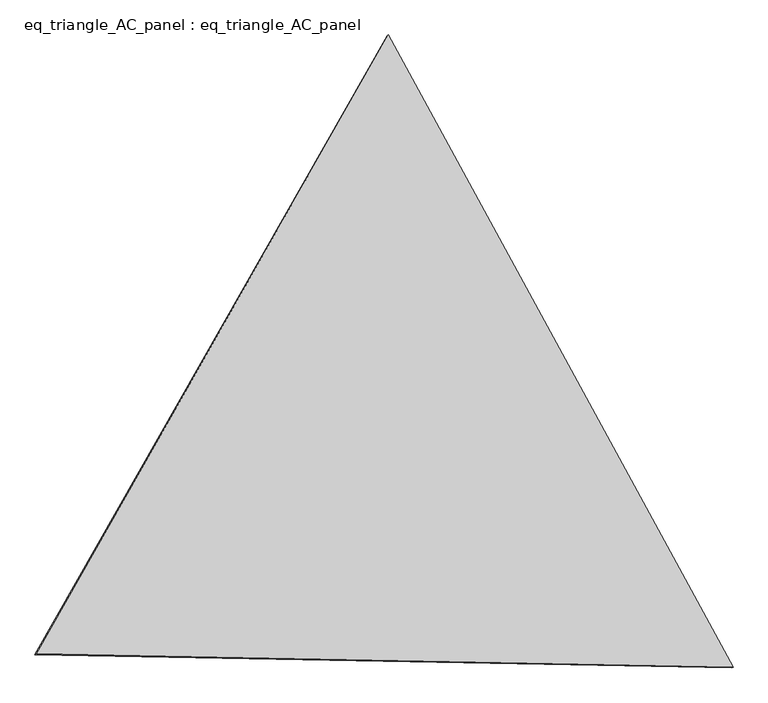
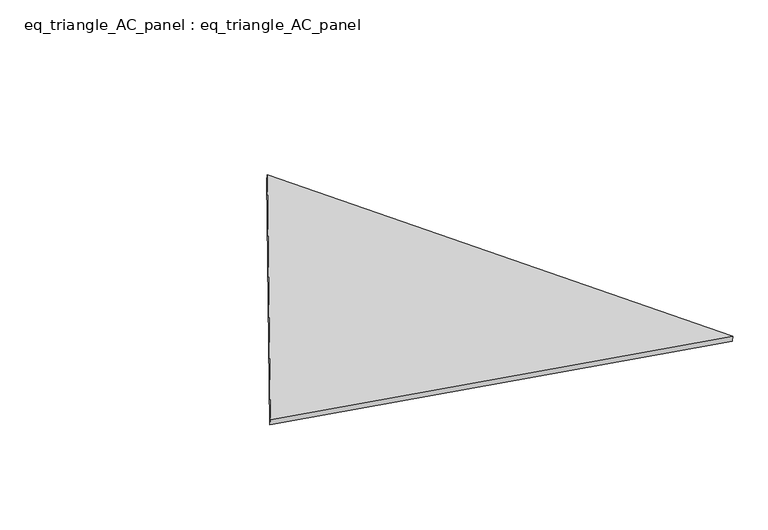
"""IFC4 building model written with IfcOpenShell, lengths in millimetres: proxy geometry, eq_triangle_AC_panel : eq_triangle_AC_panel."""

import ifcopenshell
import ifcopenshell.guid

model = None  # the IFC model being written
_history = None  # IfcOwnerHistory: only IFC2X3 demands one
_inside = {}  # id of a spatial element -> (the spatial element, [elements in it])
_under = {}  # id of a project, library or spatial element -> (it, [spatial elements below it])
_declared = {}  # id of a project -> (the project, [libraries it declares])
_typed = {}  # id of a type object -> (the type object, [elements of that type])
_made_of = {}  # id of a material, layer set ... -> (it, [elements and type objects made of it])


def new_model(schema):
    """Start an empty IFC model of exactly this schema.

    Asked for "IFC4X3", IfcOpenShell would pick the latest addendum, in which some entities
    have other attributes; the version numbers below select the first issue.
    IFC2X3 requires an IfcOwnerHistory on every rooted entity: one is made here for all.
    """
    global model, _history
    if schema == "IFC4X3":
        model = ifcopenshell.file(schema_version=(4, 3, 0, 0))
    else:
        model = ifcopenshell.file(schema=schema)
    _inside.clear()
    _under.clear()
    _declared.clear()
    _typed.clear()
    _made_of.clear()
    _history = None
    if model.schema == "IFC2X3":
        org = make("IfcOrganization", Name="unknown")
        user = make(
            "IfcPersonAndOrganization",
            ThePerson=make("IfcPerson", FamilyName="unknown"),
            TheOrganization=org,
        )
        app = make(
            "IfcApplication",
            ApplicationDeveloper=org,
            Version="unknown",
            ApplicationFullName="unknown",
            ApplicationIdentifier="unknown",
        )
        _history = make(
            "IfcOwnerHistory",
            OwningUser=user,
            OwningApplication=app,
            ChangeAction="ADDED",
            CreationDate=0,
        )
    return model


def make(cls, **values):
    """One entity of the class cls with the attributes given. An attribute that is None is left unset."""
    return model.create_entity(
        cls, **{name: value for name, value in values.items() if value is not None}
    )


def rooted(cls, **values):
    """An entity with a GlobalId (a new one), such as an element, a storey or a relation."""
    return make(cls, GlobalId=ifcopenshell.guid.new(), OwnerHistory=_history, **values)


def si_unit(unit_type, name, prefix=None):
    """IfcSIUnit, for example si_unit("LENGTHUNIT", "METRE", prefix="MILLI")."""
    return make("IfcSIUnit", UnitType=unit_type, Prefix=prefix, Name=name)


def assignment(units):
    """IfcUnitAssignment: the units of a project."""
    return None if units is None else make("IfcUnitAssignment", Units=units)


def point(xyz):
    """IfcCartesianPoint."""
    return None if xyz is None else make("IfcCartesianPoint", Coordinates=xyz)


def direction(xyz):
    """IfcDirection."""
    return None if xyz is None else make("IfcDirection", DirectionRatios=xyz)


def frame(location, z_axis=None, x_axis=None):
    """IfcAxis2Placement3D, a coordinate frame: its origin and axes. An axis left out is left unset."""
    return make(
        "IfcAxis2Placement3D",
        Location=point(location),
        Axis=direction(z_axis),
        RefDirection=direction(x_axis),
    )


def origin():
    """The frame at (0, 0, 0) with its axes left unset."""
    return frame((0.0, 0.0, 0.0))


def place(relative_to, where):
    """IfcLocalPlacement: puts the frame where relative to a parent placement (None: the world)."""
    return make(
        "IfcLocalPlacement", PlacementRelTo=relative_to, RelativePlacement=where
    )


def context(
    kind, dimensions, precision=None, world=None, true_north=None, identifier=None
):
    """IfcGeometricRepresentationContext, for example the 3D "Model" context."""
    return make(
        "IfcGeometricRepresentationContext",
        ContextIdentifier=identifier,
        ContextType=kind,
        CoordinateSpaceDimension=dimensions,
        Precision=precision,
        WorldCoordinateSystem=world,
        TrueNorth=true_north,
    )


def project(units=None, contexts=None):
    """IfcProject with its units and contexts."""
    return rooted(
        "IfcProject",
        Name="project",
        RepresentationContexts=contexts,
        UnitsInContext=assignment(units),
    )


def spatial(cls, under=None, at=None, **own):
    """A site, building, storey or space (cls), placed at a placement, below another one or the project."""
    s = rooted(cls, ObjectPlacement=at, **own)
    if under is not None:
        _under.setdefault(under.id(), (under, []))[1].append(s)
    return s


def polyline(points):
    """IfcPolyline through the points."""
    return make("IfcPolyline", Points=[point(p) for p in points])


def outline(outer, holes=None, kind="AREA"):
    """IfcArbitraryClosedProfileDef: a profile drawn as a closed curve; with holes, ...WithVoids."""
    if holes is None:
        return make("IfcArbitraryClosedProfileDef", ProfileType=kind, OuterCurve=outer)
    return make(
        "IfcArbitraryProfileDefWithVoids",
        ProfileType=kind,
        OuterCurve=outer,
        InnerCurves=holes,
    )


def extrude(swept, where, along, depth):
    """IfcExtrudedAreaSolid: the profile swept, set in the frame where, extruded along a direction by depth."""
    return make(
        "IfcExtrudedAreaSolid",
        SweptArea=swept,
        Position=where,
        ExtrudedDirection=direction(along),
        Depth=depth,
    )


def shape(context_of_items, identifier, shape_type, items):
    """IfcShapeRepresentation: the items that make up one representation, for example the "Body"."""
    return make(
        "IfcShapeRepresentation",
        ContextOfItems=context_of_items,
        RepresentationIdentifier=identifier,
        RepresentationType=shape_type,
        Items=items,
    )


def source(mapping_origin, context_of_items, identifier, shape_type, items):
    """IfcRepresentationMap: a shape defined once, which mapped items show again and again."""
    return make(
        "IfcRepresentationMap",
        MappingOrigin=mapping_origin,
        MappedRepresentation=shape(context_of_items, identifier, shape_type, items),
    )


def transform(
    local_origin,
    x_axis=None,
    y_axis=None,
    z_axis=None,
    scale=None,
    scale2=None,
    scale3=None,
    uniform=True,
):
    """IfcCartesianTransformationOperator3D, or its non-uniform kind. x_axis, y_axis, z_axis: its Axis1, 2, 3."""
    if uniform:
        return make(
            "IfcCartesianTransformationOperator3D",
            Axis1=direction(x_axis),
            Axis2=direction(y_axis),
            LocalOrigin=point(local_origin),
            Scale=scale,
            Axis3=direction(z_axis),
        )
    return make(
        "IfcCartesianTransformationOperator3DnonUniform",
        Axis1=direction(x_axis),
        Axis2=direction(y_axis),
        LocalOrigin=point(local_origin),
        Scale=scale,
        Axis3=direction(z_axis),
        Scale2=scale2,
        Scale3=scale3,
    )


def mapped(mapping_source, mapping_target):
    """IfcMappedItem: shows the shape of a source again, moved by a transform."""
    return make(
        "IfcMappedItem", MappingSource=mapping_source, MappingTarget=mapping_target
    )


def made_of(thing, what):
    """Note that an element or type object is made of a material, layer set ...; save() writes the relation."""
    if what is not None:
        _made_of.setdefault(what.id(), (what, []))[1].append(thing)
    return thing


def element(
    cls,
    number,
    at=None,
    inside=None,
    cuts=None,
    type_object=None,
    material=None,
    context=None,
    identifier="Body",
    shape_type=None,
    held_by="IfcProductDefinitionShape",
    body=None,
    shapes=None,
    **own,
):
    """One element of the class cls, such as IfcWall. Its Tag is "e" and its number.

    at: its placement. inside: the storey or other place that contains it. cuts: it is an
    opening in that element (IfcRelVoidsElement). A single representation is given by context,
    identifier, shape_type and body (its items); several are given by shapes. held_by: the class
    of the entity that holds the representations. save() writes the other relations.
    """
    e = rooted(cls, Tag="e%d" % number, ObjectPlacement=at, **own)
    if body is not None:
        shapes = [shape(context, identifier, shape_type, body)]
    if shapes is not None:
        e.Representation = make(held_by, Representations=shapes)
    if inside is not None:
        _inside.setdefault(inside.id(), (inside, []))[1].append(e)
    if cuts is not None:
        rooted(
            "IfcRelVoidsElement", RelatingBuildingElement=cuts, RelatedOpeningElement=e
        )
    if type_object is not None:
        _typed.setdefault(type_object.id(), (type_object, []))[1].append(e)
    return made_of(e, material)


def aggregate(whole, parts):
    """IfcRelAggregates: a whole, such as a stair, and the parts it consists of."""
    return rooted("IfcRelAggregates", RelatingObject=whole, RelatedObjects=parts)


def save(model, path):
    """Write the relations noted so far, then the file.

    IfcRelAggregates (storeys below a building ...), IfcRelContainedInSpatialStructure (elements
    in a storey), IfcRelDefinesByType, IfcRelAssociatesMaterial and IfcRelDeclares: one each for
    every whole, place, type object, material and project.
    """
    for whole, parts in _under.values():
        aggregate(whole, parts)
    for where, things in _inside.values():
        rooted(
            "IfcRelContainedInSpatialStructure",
            RelatedElements=things,
            RelatingStructure=where,
        )
    for kind, things in _typed.values():
        rooted("IfcRelDefinesByType", RelatedObjects=things, RelatingType=kind)
    for what, things in _made_of.values():
        rooted("IfcRelAssociatesMaterial", RelatedObjects=things, RelatingMaterial=what)
    for by, libraries in _declared.values():
        rooted("IfcRelDeclares", RelatingContext=by, RelatedDefinitions=libraries)
    model.write(path)


def eq_triangle_ac_panel_eq_triangle_ac_panel_5b520650(model_context):
    return source(origin(), model_context, "Body", "SweptSolid", [
        extrude(outline(polyline([(-2091.2842303, 1173.1700195), (2032.8306628, 1173.1700196), (58.4535673, -2346.3400391), (-2091.2842303, 1173.1700195)])), frame((0.0038051, 527.9290861, 89.8240019), z_axis=(0.1452632851805823, 0.08386570281802236, 0.9858321976225894), x_axis=(0.47858499779993735, -0.8780313029550326, 0.004175034361743152)), (0.0, 0.0, 1.0), 43.8306294),
    ])


if __name__ == "__main__":
    model = new_model("IFC4")
    model_context = context("Model", 3, world=origin())
    ifc_project = project(units=[si_unit("LENGTHUNIT", "METRE", prefix="MILLI")], contexts=[model_context])
    site = spatial("IfcSite", under=ifc_project)
    building = spatial("IfcBuilding", under=site)
    placement = place(None, origin())
    eq_triangle_ac_panel_eq_triangle_ac_panel_shape = eq_triangle_ac_panel_eq_triangle_ac_panel_5b520650(model_context)
    element("IfcBuildingElementProxy", 1, Name="eq_triangle_AC_panel : eq_triangle_AC_panel", ObjectType="eq_triangle_AC_panel : eq_triangle_AC_panel", at=placement, inside=building, context=model_context, shape_type="MappedRepresentation", body=[
        mapped(eq_triangle_ac_panel_eq_triangle_ac_panel_shape, transform((0.0, 0.0, 0.0), x_axis=(1.0, 0.0, 0.0), y_axis=(0.0, 1.0, 0.0), z_axis=(0.0, 0.0, 1.0))),
    ])
    save(model, "model.ifc")
